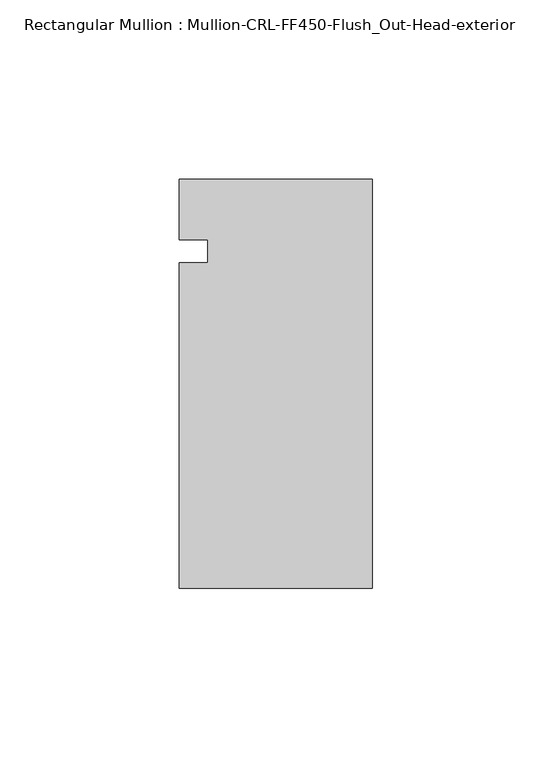
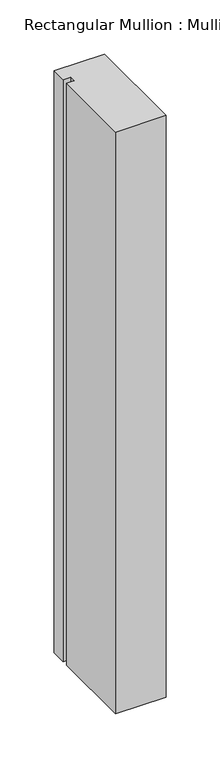
"""IFC4 building model written with IfcOpenShell, lengths in millimetres: member geometry, Rectangular Mullion : Mullion-CRL-FF450-Flush_Out-Head-exterior."""

from ifc_helpers import new_model, si_unit, frame, origin, place, context, project, spatial, polyline, outline, extrude, source, transform, mapped, element, save


def rectangular_mullion_mullion_crl_ff450_flush_out_head_67e6c3df(model_context):
    return source(origin(), model_context, "Body", "SweptSolid", [
        extrude(outline(polyline([(0.0, 20.160815), (0.0, -94.1210236), (-53.9750401, -94.1210236), (-53.9750401, -3.1555912), (-46.0375401, -3.1555912), (-46.0375401, 3.1944088), (-53.9750401, 3.1944088), (-53.9750401, 20.160815), (0.0, 20.160815)])), frame((0.0, 0.0, -657.2249599), z_axis=(0.0, 0.0, 1.0), x_axis=(1.0, 0.0, 0.0)), (0.0, 0.0, 1.0), 657.2249599),
    ])


if __name__ == "__main__":
    model = new_model("IFC4")
    model_context = context("Model", 3, world=origin())
    ifc_project = project(units=[si_unit("LENGTHUNIT", "METRE", prefix="MILLI")], contexts=[model_context])
    site = spatial("IfcSite", under=ifc_project)
    building = spatial("IfcBuilding", under=site)
    placement = place(None, origin())
    rectangular_mullion_mullion_crl_ff450_flush_out_head_shape = rectangular_mullion_mullion_crl_ff450_flush_out_head_67e6c3df(model_context)
    element("IfcMember", 1, ObjectType="Rectangular Mullion : Mullion-CRL-FF450-Flush_Out-Head-exterior", at=placement, inside=building, context=model_context, shape_type="MappedRepresentation", body=[
        mapped(rectangular_mullion_mullion_crl_ff450_flush_out_head_shape, transform((0.0, 0.0, 0.0), x_axis=(1.0, 0.0, 0.0), y_axis=(0.0, 1.0, 0.0), z_axis=(0.0, 0.0, 1.0))),
    ])
    save(model, "model.ifc")
